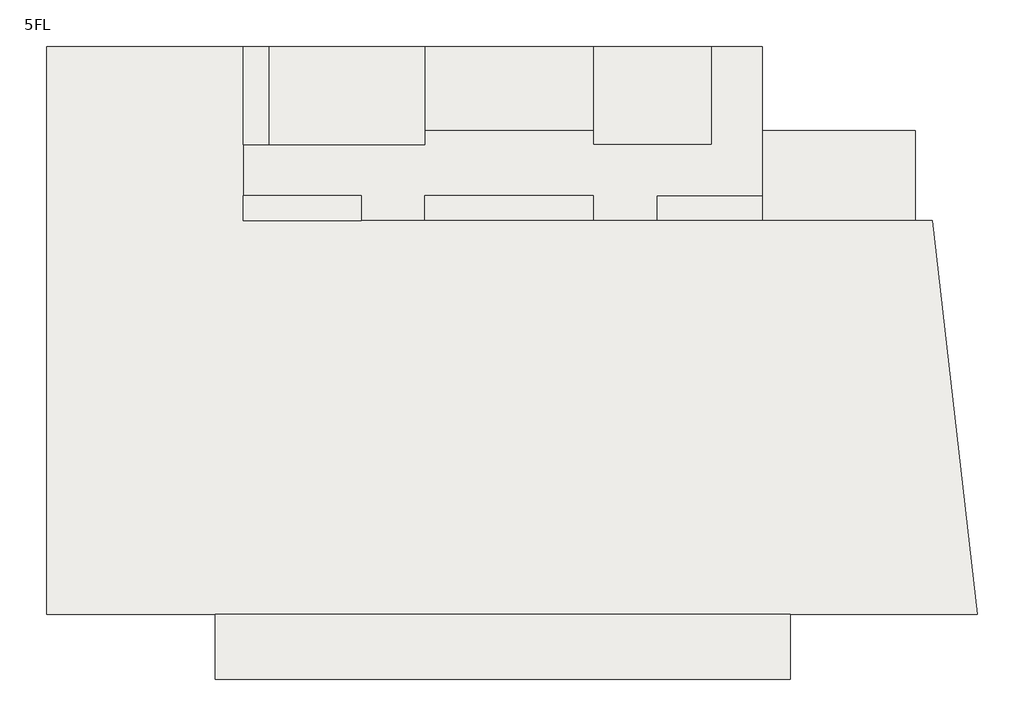
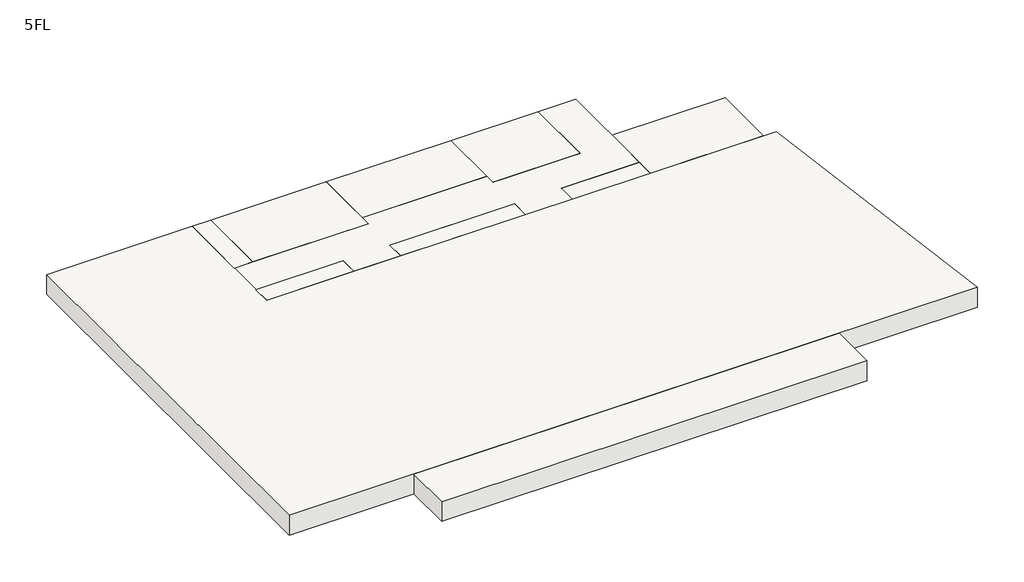
# One storey: 11 slabs.
"""IFC4 building model written with IfcOpenShell, lengths in millimetres."""

from ifc_helpers import new_model, si_unit, frame, origin, place, context, project, spatial, polyline, outline, extrude, element, save

model = new_model("IFC4")

# Units and contexts
model_context = context("Model", 3, world=origin())
ifc_project = project(units=[si_unit("LENGTHUNIT", "METRE", prefix="MILLI")], contexts=[model_context])

# Site, building, storey
site = spatial("IfcSite", under=ifc_project)
building = spatial("IfcBuilding", under=site)
storey = spatial("IfcBuildingStorey", under=building, Name="5FL", Elevation=16600.0)

# Slabs
placement = place(None, origin())
element("IfcSlab", 1, at=placement, inside=storey, context=model_context, shape_type="SweptSolid", body=[
    extrude(outline(polyline([(2054.0215975, 13649.6868987), (2054.0215975, 10449.6868987), (-3395.9784025, 10449.6868987), (-3395.9784025, 13649.6868987), (2054.0215975, 13649.6868987)])), frame((0.0, 0.0, 15600.0), z_axis=(0.0, 0.0, 1.0), x_axis=(1.0, 0.0, 0.0)), (0.0, 0.0, 1.0), 1000.0),
])
element("IfcSlab", 2, at=placement, inside=storey, context=model_context, shape_type="SweptSolid", body=[
    extrude(outline(polyline([(-3395.9784025, 11349.6868987), (-3395.9784025, 10449.6868987), (-7145.9784025, 10449.6868987), (-7145.9784025, 11349.6868987), (-3395.9784025, 11349.6868987)])), frame((0.0, 0.0, 15600.0), z_axis=(0.0, 0.0, 1.0), x_axis=(1.0, 0.0, 0.0)), (0.0, 0.0, 1.0), 1000.0),
])
element("IfcSlab", 3, at=placement, inside=storey, context=model_context, shape_type="SweptSolid", body=[
    extrude(outline(polyline([(-9395.9784025, 11349.6868987), (-9395.9784025, 10449.6868987), (-15395.9784025, 10449.6868987), (-15395.9784025, 11349.6868987), (-9395.9784025, 11349.6868987)])), frame((0.0, 0.0, 15600.0), z_axis=(0.0, 0.0, 1.0), x_axis=(1.0, 0.0, 0.0)), (0.0, 0.0, 1.0), 1000.0),
])
element("IfcSlab", 4, at=placement, inside=storey, context=model_context, shape_type="SweptSolid", body=[
    extrude(outline(polyline([(-17645.9784025, 11349.6868987), (-17645.9784025, 10449.6868987), (-21845.9784025, 10449.6868987), (-21845.9784025, 11349.6868987), (-17645.9784025, 11349.6868987)])), frame((0.0, 0.0, 15600.0), z_axis=(0.0, 0.0, 1.0), x_axis=(1.0, 0.0, 0.0)), (0.0, 0.0, 1.0), 1000.0),
])
element("IfcSlab", 5, at=placement, inside=storey, context=model_context, shape_type="SweptSolid", body=[
    extrude(outline(polyline([(-20945.9784025, 16649.6868987), (-20945.9784025, 13149.6868987), (-21845.9784025, 13149.6868987), (-21845.9784025, 16649.6868987), (-20945.9784025, 16649.6868987)])), frame((0.0, 0.0, 15600.0), z_axis=(0.0, 0.0, 1.0), x_axis=(1.0, 0.0, 0.0)), (0.0, 0.0, 1.0), 1000.0),
])
element("IfcSlab", 6, at=placement, inside=storey, context=model_context, shape_type="SweptSolid", body=[
    extrude(outline(polyline([(-9395.9784025, 16649.6868987), (-9395.9784025, 13649.6868987), (-15395.9784025, 13649.6868987), (-15395.9784025, 16649.6868987), (-9395.9784025, 16649.6868987)])), frame((0.0, 0.0, 15600.0), z_axis=(0.0, 0.0, 1.0), x_axis=(1.0, 0.0, 0.0)), (0.0, 0.0, 1.0), 1000.0),
])
element("IfcSlab", 7, at=placement, inside=storey, context=model_context, shape_type="SweptSolid", body=[
    extrude(outline(polyline([(-5195.9784025, 16649.6868987), (-5195.9784025, 13149.6868987), (-9395.9784025, 13149.6868987), (-9395.9784025, 16649.6868987), (-5195.9784025, 16649.6868987)])), frame((0.0, 0.0, 15600.0), z_axis=(0.0, 0.0, 1.0), x_axis=(1.0, 0.0, 0.0)), (0.0, 0.0, 1.0), 1000.0),
])
element("IfcSlab", 8, at=placement, inside=storey, context=model_context, shape_type="SweptSolid", body=[
    extrude(outline(polyline([(-15395.9784025, 16649.6868987), (-15395.9784025, 13149.6868987), (-20945.9784025, 13149.6868987), (-20945.9784025, 16649.6868987), (-15395.9784025, 16649.6868987)])), frame((0.0, 0.0, 15600.0), z_axis=(0.0, 0.0, 1.0), x_axis=(1.0, 0.0, 0.0)), (0.0, 0.0, 1.0), 1000.0),
])
element("IfcSlab", 9, at=placement, inside=storey, context=model_context, shape_type="SweptSolid", body=[
    extrude(outline(polyline([(-28845.9784025, -3550.3131013), (-28845.9784025, 16649.6868987), (-21845.9784025, 16649.6868987), (-21845.9784025, 10449.6868987), (2661.9595949, 10449.6868987), (4261.9595949, -3550.3131013), (-28845.9784025, -3550.3131013)])), frame((0.0, 0.0, 15600.0), z_axis=(0.0, 0.0, 1.0), x_axis=(1.0, 0.0, 0.0)), (0.0, 0.0, 1.0), 1000.0),
])
element("IfcSlab", 10, at=placement, inside=storey, context=model_context, shape_type="SweptSolid", body=[
    extrude(outline(polyline([(-15395.9784025, 13149.6868987), (-15395.9784025, 13649.6868987), (-9395.9784025, 13649.6868987), (-9395.9784025, 13149.6868987), (-5195.9784025, 13149.6868987), (-5195.9784025, 16649.6868987), (-3395.9784025, 16649.6868987), (-3395.9784025, 11349.6868987), (-7145.9784025, 11349.6868987), (-7145.9784025, 10449.6868987), (-9395.9784025, 10449.6868987), (-9395.9784025, 11349.6868987), (-15395.9784025, 11349.6868987), (-15395.9784025, 10449.6868987), (-17645.9784025, 10449.6868987), (-17645.9784025, 11349.6868987), (-21845.9784025, 11349.6868987), (-21845.9784025, 13149.6868987), (-15395.9784025, 13149.6868987)])), frame((0.0, 0.0, 15600.0), z_axis=(0.0, 0.0, 1.0), x_axis=(1.0, 0.0, 0.0)), (0.0, 0.0, 1.0), 1000.0),
])
element("IfcSlab", 11, at=placement, inside=storey, context=model_context, shape_type="SweptSolid", body=[
    extrude(outline(polyline([(-22845.9784025, -3550.3131013), (-2395.9784025, -3550.3131013), (-2395.9784025, -5865.4042502), (-22845.9784025, -5865.4042502), (-22845.9784025, -3550.3131013)])), frame((0.0, 0.0, 15600.0), z_axis=(0.0, 0.0, 1.0), x_axis=(1.0, 0.0, 0.0)), (0.0, 0.0, 1.0), 1000.0),
])

save(model, "model.ifc")
